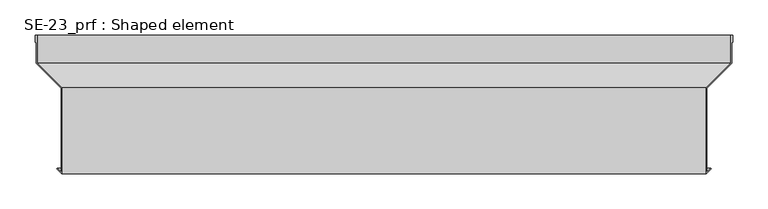
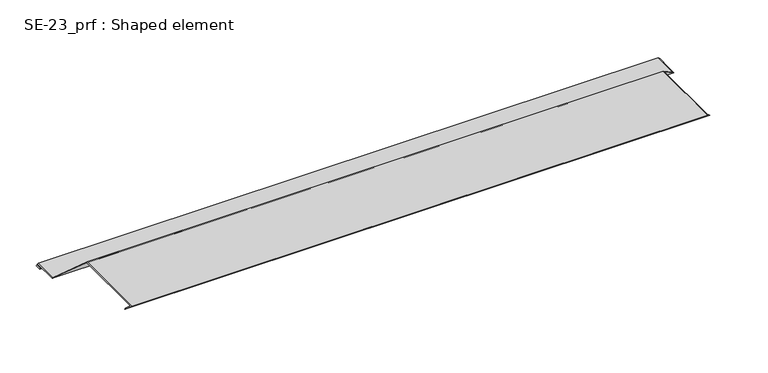
"""IFC4 building model written with IfcOpenShell, lengths in millimetres: proxy geometry, SE-23_prf : Shaped element."""

from ifc_helpers import new_model, si_unit, origin, place, context, project, spatial, faceted_brep, source, transform, mapped, element, save


def se_23_prf_shaped_element_5fcd40e8(model_context):
    return source(origin(), model_context, "Body", "Brep", [
        faceted_brep([(5.0, 48.0, 5.0), (2.0, 48.0, 2.0), (2.0, 38.0, 2.0), (3.0, 38.0, 3.0), (3.0, 47.0, 3.0), (4.0, 47.0, 4.0), (4.0, 7.5857864, 4.0), (39.3553391, -27.7695526, 39.3553391), (39.3553391, -147.5857864, 39.3553391), (33.991378, -142.2218254, 33.991378), (33.2842712, -142.9289322, 33.2842712), (40.3553391, -150.0, 40.3553391), (40.3553391, -27.3553391, 40.3553391), (5.0, 8.0, 5.0), (998.0, 48.0, 2.0), (995.0, 48.0, 5.0), (995.0, 8.0, 5.0), (959.6446609, -27.3553391, 40.3553391), (959.6446609, -150.0, 40.3553391), (966.7157288, -142.9289322, 33.2842712), (966.008622, -142.2218254, 33.991378), (960.6446609, -147.5857864, 39.3553391), (960.6446609, -27.7695526, 39.3553391), (996.0, 7.5857864, 4.0), (996.0, 47.0, 4.0), (997.0, 47.0, 3.0), (997.0, 38.0, 3.0), (998.0, 38.0, 2.0)], [[[0, 1, 2, 3, 4, 5, 6, 7, 8, 9, 10, 11, 12, 13]], [[14, 15, 16, 17, 18, 19, 20, 21, 22, 23, 24, 25, 26, 27]], [[1, 0, 15, 14]], [[2, 1, 14, 27]], [[3, 2, 27, 26]], [[4, 3, 26, 25]], [[5, 4, 25, 24]], [[6, 5, 24, 23]], [[7, 6, 23, 22]], [[8, 7, 22, 21]], [[9, 8, 21, 20]], [[10, 9, 20, 19]], [[11, 10, 19, 18]], [[12, 11, 18, 17]], [[13, 12, 17, 16]], [[0, 13, 16, 15]]]),
    ])


if __name__ == "__main__":
    model = new_model("IFC4")
    model_context = context("Model", 3, world=origin())
    ifc_project = project(units=[si_unit("LENGTHUNIT", "METRE", prefix="MILLI")], contexts=[model_context])
    site = spatial("IfcSite", under=ifc_project)
    building = spatial("IfcBuilding", under=site)
    placement = place(None, origin())
    se_23_prf_shaped_element_shape = se_23_prf_shaped_element_5fcd40e8(model_context)
    element("IfcBuildingElementProxy", 1, Name="SE-23_prf : Shaped element", ObjectType="SE-23_prf : Shaped element", at=placement, inside=building, context=model_context, shape_type="MappedRepresentation", body=[
        mapped(se_23_prf_shaped_element_shape, transform((0.0, 0.0, 0.0), x_axis=(1.0, 0.0, 0.0), y_axis=(0.0, 1.0, 0.0), z_axis=(0.0, 0.0, 1.0))),
    ])
    save(model, "model.ifc")
